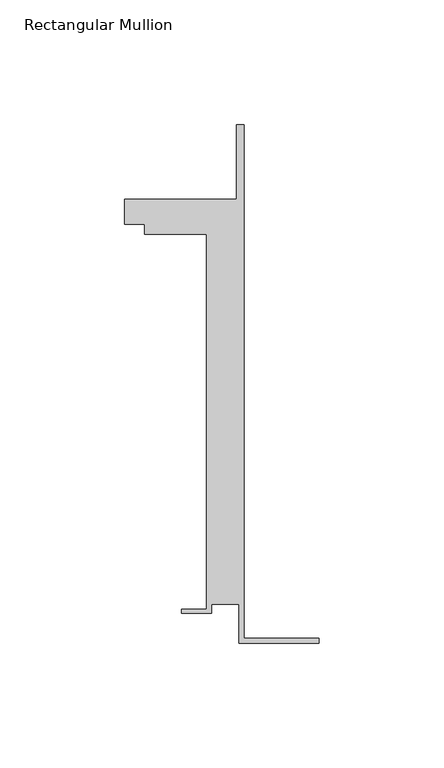
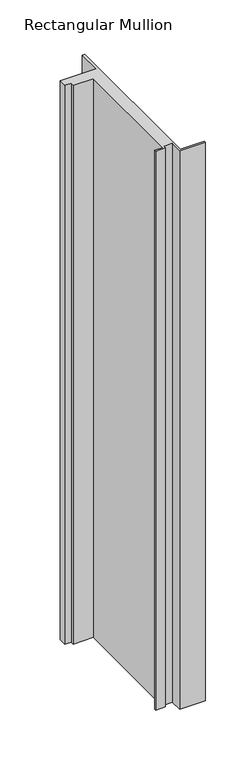
"""IFC4 building model written with IfcOpenShell, lengths in millimetres: member geometry, Rectangular Mullion."""

from ifc_helpers import new_model, si_unit, frame, origin, place, context, project, spatial, polyline, outline, extrude, source, transform, mapped, element, save


def rectangular_mullion_c5f10510(model_context):
    return source(origin(), model_context, "Body", "SweptSolid", [
        extrude(outline(polyline([(-32.1465839, -41.25), (-32.1465839, -25.75), (-43.1465839, -25.75), (-43.1465839, -29.25), (-55.1465839, -29.25), (-55.1465839, -27.75), (-45.1465839, -27.75), (-45.1465839, 122.75), (-70.1466122, 122.75), (-70.1466122, 126.75), (-78.1466122, 126.75), (-78.1466122, 136.75), (-33.1466122, 136.75), (-33.1466122, 166.75), (-30.1465839, 166.75), (-30.1465839, -39.25), (0.0, -39.25), (0.0, -41.25), (-32.1465839, -41.25)])), frame((0.0, 0.0, -736.5609874), z_axis=(0.0, 0.0, 1.0), x_axis=(1.0, 0.0, 0.0)), (0.0, 0.0, 1.0), 736.5609874),
    ])


if __name__ == "__main__":
    model = new_model("IFC4")
    model_context = context("Model", 3, world=origin())
    ifc_project = project(units=[si_unit("LENGTHUNIT", "METRE", prefix="MILLI")], contexts=[model_context])
    site = spatial("IfcSite", under=ifc_project)
    building = spatial("IfcBuilding", under=site)
    placement = place(None, origin())
    rectangular_mullion_shape = rectangular_mullion_c5f10510(model_context)
    element("IfcMember", 1, ObjectType="Rectangular Mullion", at=placement, inside=building, context=model_context, shape_type="MappedRepresentation", body=[
        mapped(rectangular_mullion_shape, transform((0.0, 0.0, 0.0), x_axis=(1.0, 0.0, 0.0), y_axis=(0.0, 1.0, 0.0), z_axis=(0.0, 0.0, 1.0))),
    ])
    save(model, "model.ifc")
